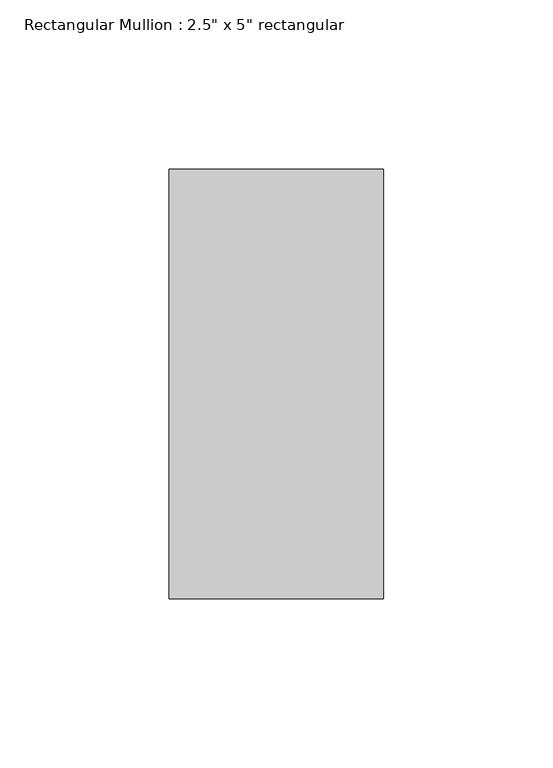
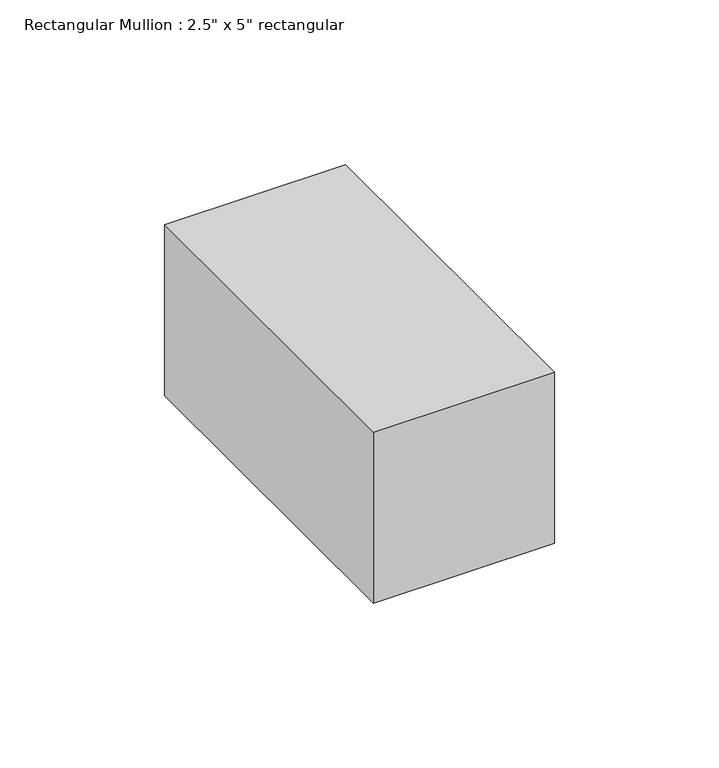
"""IFC4 building model written with IfcOpenShell, lengths in millimetres: member geometry."""

from ifc_helpers import new_model, si_unit, frame, origin, place, context, project, spatial, polyline, outline, extrude, source, transform, mapped, element, save


def member_8d170bf5(model_context):
    return source(origin(), model_context, "Body", "SweptSolid", [
        extrude(outline(polyline([(31.75, 63.5), (31.75, -63.5), (-31.75, -63.5), (-31.75, 63.5), (31.75, 63.5)])), frame((0.0, 0.0, -63.5279618), z_axis=(0.0, 0.0, 1.0), x_axis=(1.0, 0.0, 0.0)), (0.0, 0.0, 1.0), 63.5279618),
    ])


if __name__ == "__main__":
    model = new_model("IFC4")
    model_context = context("Model", 3, world=origin())
    ifc_project = project(units=[si_unit("LENGTHUNIT", "METRE", prefix="MILLI")], contexts=[model_context])
    site = spatial("IfcSite", under=ifc_project)
    building = spatial("IfcBuilding", under=site)
    placement = place(None, origin())
    member_shape = member_8d170bf5(model_context)
    element("IfcMember", 1, ObjectType="Rectangular Mullion : 2.5\" x 5\" rectangular", at=placement, inside=building, context=model_context, shape_type="MappedRepresentation", body=[
        mapped(member_shape, transform((0.0, 0.0, 0.0), x_axis=(1.0, 0.0, 0.0), y_axis=(0.0, 1.0, 0.0), z_axis=(0.0, 0.0, 1.0))),
    ])
    save(model, "model.ifc")
